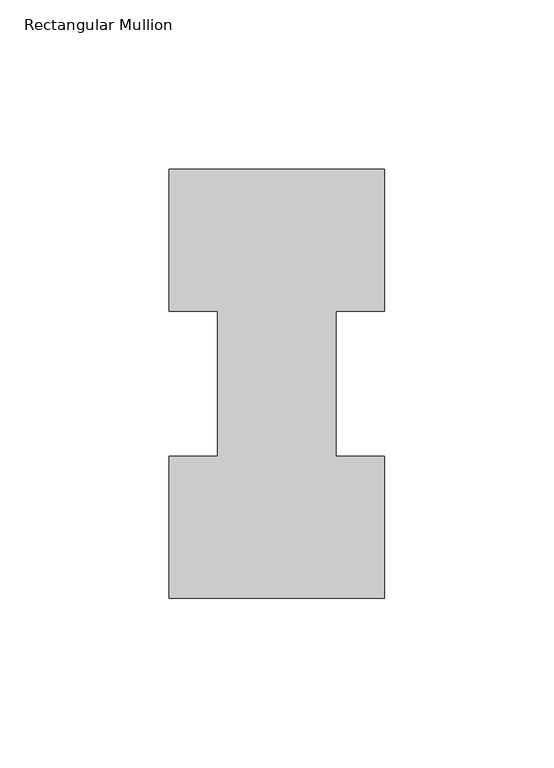
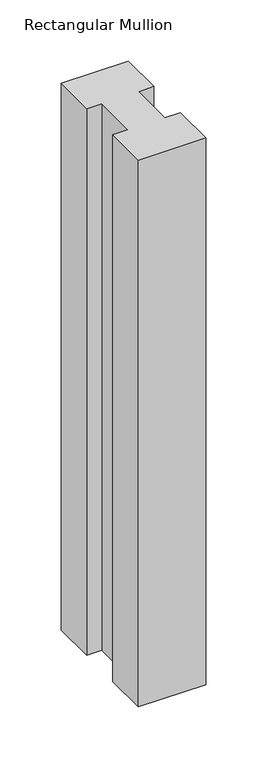
"""IFC4 building model written with IfcOpenShell, lengths in millimetres: member geometry, Rectangular Mullion."""

from ifc_helpers import new_model, si_unit, frame, origin, place, context, project, spatial, polyline, outline, extrude, source, transform, mapped, element, save


def rectangular_mullion_e0b8ce4f(model_context):
    return source(origin(), model_context, "Body", "SweptSolid", [
        extrude(outline(polyline([(-63.5, -0.0373063), (-63.5, 41.7837937), (-49.2125, 41.7837937), (-49.2125, 84.6335938), (-63.5, 84.6335938), (-63.5, 126.4546937), (0.0, 126.4546937), (0.0, 84.6335938), (-14.2748, 84.6335938), (-14.2748, 41.7837937), (0.0, 41.7837937), (0.0, -0.0373063), (-63.5, -0.0373063)])), frame((0.0, 0.0, -546.1), z_axis=(0.0, 0.0, 1.0), x_axis=(1.0, 0.0, 0.0)), (0.0, 0.0, 1.0), 546.1),
    ])


if __name__ == "__main__":
    model = new_model("IFC4")
    model_context = context("Model", 3, world=origin())
    ifc_project = project(units=[si_unit("LENGTHUNIT", "METRE", prefix="MILLI")], contexts=[model_context])
    site = spatial("IfcSite", under=ifc_project)
    building = spatial("IfcBuilding", under=site)
    placement = place(None, origin())
    rectangular_mullion_shape = rectangular_mullion_e0b8ce4f(model_context)
    element("IfcMember", 1, ObjectType="Rectangular Mullion", at=placement, inside=building, context=model_context, shape_type="MappedRepresentation", body=[
        mapped(rectangular_mullion_shape, transform((0.0, 0.0, 0.0), x_axis=(1.0, 0.0, 0.0), y_axis=(0.0, 1.0, 0.0), z_axis=(0.0, 0.0, 1.0))),
    ])
    save(model, "model.ifc")
